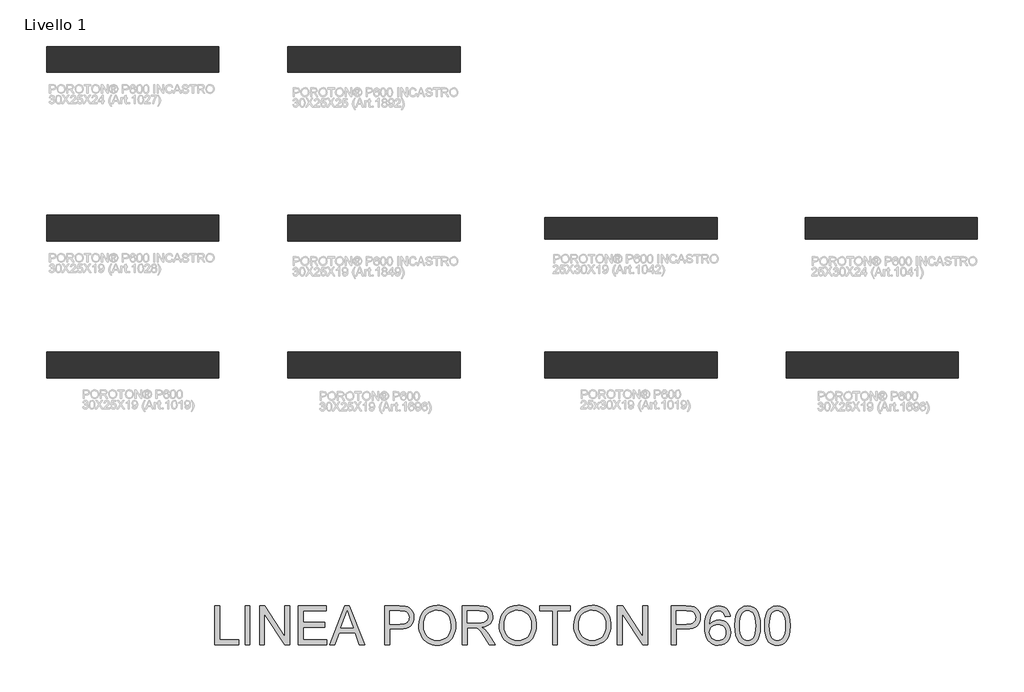
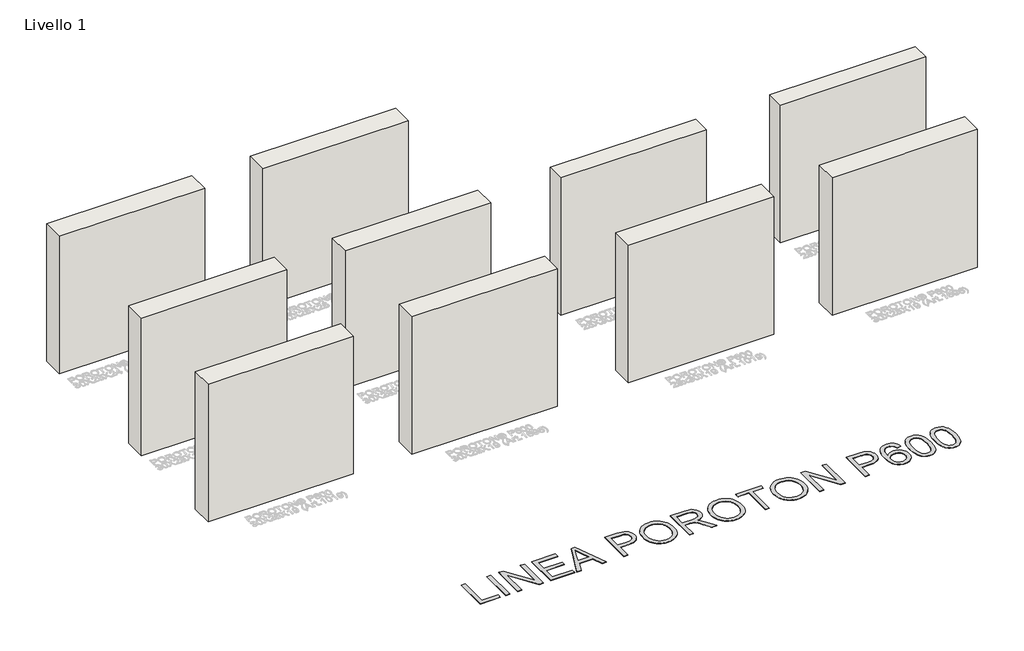
# One storey, part 1 of 11: 10 walls, 1 proxy.
"""IFC4 building model written with IfcOpenShell, lengths in millimetres."""

from ifc_helpers import new_model, si_unit, origin, origin_with_axes, place, context, project, spatial, polyline, outline, extrude, element, save

model = new_model("IFC4")

# Units and contexts
model_context = context("Model", 3, world=origin())
ifc_project = project(units=[si_unit("LENGTHUNIT", "METRE", prefix="MILLI")], contexts=[model_context])

# Site, building, storey
site = spatial("IfcSite", under=ifc_project)
building = spatial("IfcBuilding", under=site)
storey = spatial("IfcBuildingStorey", under=building, Name="Livello 1", Elevation=0.0)

# Proxy
placement = place(None, origin())
element("IfcBuildingElementProxy", 1, Name="450mm", ObjectType="450mm", at=placement, inside=storey, context=model_context, shape_type="SweptSolid", body=[
    extrude(outline(polyline([(-3133.2504422, -1960.675424), (-3133.2504422, -1511.0192812), (-3077.0434244, -1511.0192812), (-3077.0434244, -1904.4684062), (-2852.215353, -1904.4684062), (-2852.215353, -1960.675424), (-3133.2504422, -1960.675424)])), origin_with_axes(), (0.0, 0.0, 1.0), 5.0),
    extrude(outline(polyline([(-2781.9565807, -1960.675424), (-2781.9565807, -1511.0192812), (-2725.7495628, -1511.0192812), (-2725.7495628, -1960.675424), (-2781.9565807, -1960.675424)])), origin_with_axes(), (0.0, 0.0, 1.0), 5.0),
    extrude(outline(polyline([(-2613.3355271, -1960.675424), (-2613.3355271, -1511.0192812), (-2553.1764533, -1511.0192812), (-2318.2486834, -1867.2532127), (-2318.2486834, -1511.0192812), (-2262.0416655, -1511.0192812), (-2262.0416655, -1960.675424), (-2322.2007393, -1960.675424), (-2557.1285093, -1604.3317132), (-2557.1285093, -1960.675424), (-2613.3355271, -1960.675424)])), origin_with_axes(), (0.0, 0.0, 1.0), 5.0),
    extrude(outline(polyline([(-2163.6793843, -1960.675424), (-2163.6793843, -1511.0192812), (-1840.4890316, -1511.0192812), (-1840.4890316, -1567.2262991), (-2107.4723664, -1567.2262991), (-2107.4723664, -1700.7179665), (-1854.5407861, -1700.7179665), (-1854.5407861, -1756.9249843), (-2107.4723664, -1756.9249843), (-2107.4723664, -1904.4684062), (-1833.4631544, -1904.4684062), (-1833.4631544, -1960.675424), (-2163.6793843, -1960.675424)])), origin_with_axes(), (0.0, 0.0, 1.0), 5.0),
    extrude(outline(polyline([(-1801.5173689, -1960.675424), (-1622.0281615, -1511.0192812), (-1574.1643728, -1511.0192812), (-1394.6751654, -1960.675424), (-1454.0657839, -1960.675424), (-1505.5522905, -1820.1578794), (-1690.7500231, -1820.1578794), (-1742.1267504, -1960.675424), (-1801.5173689, -1960.675424)]), holes=[polyline([(-1670.1115088, -1763.9508616), (-1526.0810255, -1763.9508616), (-1566.5895989, -1653.4030745), (-1598.0962672, -1567.2262991), (-1626.0899968, -1643.7424933), (-1670.1115088, -1763.9508616)])]), origin_with_axes(), (0.0, 0.0, 1.0), 5.0),
    extrude(outline(polyline([(-1158.9789402, -1960.675424), (-1158.9789402, -1511.0192812), (-992.3339146, -1511.0192812), (-925.1489636, -1515.3006752), (-895.1929284, -1523.300844), (-870.533746, -1536.3234172), (-850.6774094, -1554.9584588), (-835.1299115, -1579.7960326), (-825.0851027, -1609.0933917), (-821.7368331, -1641.1077893), (-823.9976012, -1668.7104301), (-830.7799055, -1694.1037617), (-842.0837461, -1717.2877844), (-857.9091229, -1738.2624979), (-879.6351388, -1755.6487996), (-908.6408966, -1768.0675865), (-944.9263963, -1775.5188586), (-988.491638, -1778.002616), (-1102.7719223, -1778.002616), (-1102.7719223, -1960.675424), (-1158.9789402, -1960.675424)]), holes=[polyline([(-1102.7719223, -1721.7955982), (-985.198258, -1721.7955982), (-935.3584414, -1716.6359696), (-916.7782895, -1710.1864338), (-902.4246419, -1701.1570838), (-891.7142959, -1689.7880618), (-884.0640487, -1676.31951), (-879.4739004, -1660.7514285), (-877.9438509, -1643.0838173), (-881.5528465, -1617.834571), (-892.3798331, -1596.5373807), (-909.0800139, -1580.5095982), (-930.3085922, -1571.0685757), (-986.51561, -1567.2262991), (-1102.7719223, -1567.2262991), (-1102.7719223, -1721.7955982)])]), origin_with_axes(), (0.0, 0.0, 1.0), 5.0),
    extrude(outline(polyline([(-765.5298152, -1741.7754366), (-761.7835955, -1689.0333289), (-750.5449364, -1642.3428068), (-731.813838, -1601.7038705), (-705.5903001, -1567.1165198), (-673.4455395, -1539.5001566), (-636.9507729, -1519.7741829), (-596.1060003, -1507.9385987), (-550.9112217, -1503.993404), (-520.6601546, -1505.8459302), (-491.9322757, -1511.4035089), (-464.727585, -1520.66614), (-439.0460826, -1533.6338236), (-415.6081953, -1549.9154707), (-395.1343499, -1569.1199926), (-377.6245465, -1591.2473891), (-363.0787851, -1616.2976604), (-351.6480121, -1643.7013261), (-343.4831743, -1672.8889059), (-338.5842717, -1703.8603999), (-336.9513041, -1736.615808), (-338.6700368, -1769.8034722), (-343.8262347, -1801.1934999), (-352.4198981, -1830.785891), (-364.4510267, -1858.5806455), (-379.6348805, -1883.8436142), (-397.6867194, -1905.8406478), (-418.6065433, -1924.5717463), (-442.3943522, -1940.0369097), (-468.1135913, -1952.140081), (-494.8277056, -1960.7852034), (-522.536695, -1965.9722768), (-551.2405597, -1967.7013013), (-582.0199398, -1965.7904548), (-611.1251851, -1960.0579153), (-638.5562956, -1950.5036828), (-664.3132714, -1937.1277574), (-687.7237138, -1920.4481602), (-708.1152247, -1900.9829124), (-725.487804, -1878.7320141), (-739.8414516, -1853.6954653), (-751.0801107, -1826.8784329), (-759.1077243, -1799.286084), (-763.9242925, -1770.9184185), (-765.5298152, -1741.7754366)]), holes=[polyline([(-709.3227974, -1742.3243332), (-706.5131326, -1779.5875551), (-698.0841383, -1812.66544), (-684.0358144, -1841.5579879), (-664.368161, -1866.2651988), (-640.4602809, -1886.0529233), (-613.691277, -1900.1870123), (-584.0611492, -1908.6674656), (-551.5698977, -1911.4942834), (-518.5228882, -1908.6400208), (-488.5428388, -1900.0772329), (-461.6297495, -1885.8059198), (-437.7836203, -1865.8260814), (-418.2600523, -1840.5974187), (-404.3146465, -1810.5796327), (-395.9474031, -1775.7727234), (-393.158322, -1736.1766906), (-397.9337229, -1686.4192085), (-412.2599257, -1643.4131553), (-435.7664251, -1608.2426019), (-468.0827159, -1581.9916192), (-507.0681011, -1565.6482212), (-550.5818837, -1560.2004219), (-581.9444665, -1562.824834), (-611.0428506, -1570.6980705), (-637.877036, -1583.8201312), (-662.4470227, -1602.1910162), (-682.9551741, -1626.6958215), (-697.6038537, -1658.2196427), (-706.3930615, -1696.7624799), (-709.3227974, -1742.3243332)])]), origin_with_axes(), (0.0, 0.0, 1.0), 5.0),
    extrude(outline(polyline([(-259.6666546, -1960.675424), (-259.6666546, -1511.0192812), (-65.906134, -1511.0192812), (-13.8295635, -1514.0519353), (24.0580283, -1523.1498974), (51.7498648, -1539.9461351), (73.239169, -1566.0736161), (87.0301975, -1598.4722414), (91.627207, -1634.0819121), (89.7232217, -1657.176739), (84.0112659, -1678.3778725), (74.4913395, -1697.6853124), (61.1634425, -1715.0990589), (43.8560447, -1730.0633541), (22.3976159, -1742.0224401), (-3.2118438, -1750.9763168), (-32.9723345, -1756.9249843), (-1.026549, -1780.966658), (44.5318737, -1838.8203658), (119.5111573, -1960.675424), (54.1924549, -1960.675424), (-4.3199289, -1867.4727714), (-46.5849716, -1805.776787), (-62.2971385, -1787.786699), (-76.2802809, -1776.6303744), (-103.0115482, -1765.9268895), (-135.6160097, -1763.9508616), (-203.4596367, -1763.9508616), (-203.4596367, -1960.675424), (-259.6666546, -1960.675424)]), holes=[polyline([(-203.4596367, -1707.7438437), (-77.6525225, -1707.7438437), (-41.5214, -1705.7540933), (-13.4865031, -1699.7848422), (7.6185734, -1689.4381401), (22.960235, -1674.3160372), (32.3052006, -1656.024056), (35.4201892, -1636.1677194), (33.9347376, -1621.7934882), (29.4783828, -1608.7503313), (11.6529638, -1586.6572408), (-1.9562427, -1578.1562038), (-19.016637, -1572.0840345), (-63.4909887, -1567.2262991), (-203.4596367, -1567.2262991), (-203.4596367, -1707.7438437)])]), origin_with_axes(), (0.0, 0.0, 1.0), 5.0),
    extrude(outline(polyline([(168.9118566, -1741.7754366), (172.6580763, -1689.0333289), (183.8967354, -1642.3428068), (202.6278338, -1601.7038705), (228.8513717, -1567.1165198), (260.9961323, -1539.5001566), (297.4908989, -1519.7741829), (338.3356715, -1507.9385987), (383.5304501, -1503.993404), (413.7815172, -1505.8459302), (442.5093961, -1511.4035089), (469.7140868, -1520.66614), (495.3955892, -1533.6338236), (518.8334765, -1549.9154707), (539.3073219, -1569.1199926), (556.8171253, -1591.2473891), (571.3628867, -1616.2976604), (582.7936597, -1643.7013261), (590.9584975, -1672.8889059), (595.8574001, -1703.8603999), (597.4903677, -1736.615808), (595.771635, -1769.8034722), (590.615437, -1801.1934999), (582.0217737, -1830.785891), (569.9906451, -1858.5806455), (554.8067913, -1883.8436142), (536.7549524, -1905.8406478), (515.8351285, -1924.5717463), (492.0473196, -1940.0369097), (466.3280805, -1952.140081), (439.6139662, -1960.7852034), (411.9049768, -1965.9722768), (383.2011121, -1967.7013013), (352.421732, -1965.7904548), (323.3164867, -1960.0579153), (295.8853761, -1950.5036828), (270.1284004, -1937.1277574), (246.7179579, -1920.4481602), (226.3264471, -1900.9829124), (208.9538678, -1878.7320141), (194.6002202, -1853.6954653), (183.3615611, -1826.8784329), (175.3339475, -1799.286084), (170.5173793, -1770.9184185), (168.9118566, -1741.7754366)]), holes=[polyline([(225.1188744, -1742.3243332), (227.9285392, -1779.5875551), (236.3575335, -1812.66544), (250.4058574, -1841.5579879), (270.0735108, -1866.2651988), (293.9813909, -1886.0529233), (320.7503948, -1900.1870123), (350.3805225, -1908.6674656), (382.8717741, -1911.4942834), (415.9187836, -1908.6400208), (445.898833, -1900.0772329), (472.8119223, -1885.8059198), (496.6580515, -1865.8260814), (516.1816195, -1840.5974187), (530.1270253, -1810.5796327), (538.4942687, -1775.7727234), (541.2833498, -1736.1766906), (536.5079489, -1686.4192085), (522.1817461, -1643.4131553), (498.6752467, -1608.2426019), (466.3589559, -1581.9916192), (427.3735707, -1565.6482212), (383.8597881, -1560.2004219), (352.4972053, -1562.824834), (323.3988212, -1570.6980705), (296.5646358, -1583.8201312), (271.9946491, -1602.1910162), (251.4864977, -1626.6958215), (236.8378181, -1658.2196427), (228.0486103, -1696.7624799), (225.1188744, -1742.3243332)])]), origin_with_axes(), (0.0, 0.0, 1.0), 5.0),
    extrude(outline(polyline([(787.1890529, -1960.675424), (787.1890529, -1567.2262991), (639.6456311, -1567.2262991), (639.6456311, -1511.0192812), (990.9394927, -1511.0192812), (990.9394927, -1567.2262991), (843.3960708, -1567.2262991), (843.3960708, -1960.675424), (787.1890529, -1960.675424)])), origin_with_axes(), (0.0, 0.0, 1.0), 5.0),
    extrude(outline(polyline([(1033.094756, -1741.7754366), (1036.8409757, -1689.0333289), (1048.0796348, -1642.3428068), (1066.8107333, -1601.7038705), (1093.0342712, -1567.1165198), (1125.1790318, -1539.5001566), (1161.6737984, -1519.7741829), (1202.518571, -1507.9385987), (1247.7133496, -1503.993404), (1277.9644167, -1505.8459302), (1306.6922956, -1511.4035089), (1333.8969862, -1520.66614), (1359.5784886, -1533.6338236), (1383.016376, -1549.9154707), (1403.4902213, -1569.1199926), (1421.0000248, -1591.2473891), (1435.5457862, -1616.2976604), (1446.9765591, -1643.7013261), (1455.1413969, -1672.8889059), (1460.0402996, -1703.8603999), (1461.6732672, -1736.615808), (1459.9545345, -1769.8034722), (1454.7983365, -1801.1934999), (1446.2046732, -1830.785891), (1434.1735446, -1858.5806455), (1418.9896907, -1883.8436142), (1400.9378519, -1905.8406478), (1380.018028, -1924.5717463), (1356.230219, -1940.0369097), (1330.51098, -1952.140081), (1303.7968657, -1960.7852034), (1276.0878763, -1965.9722768), (1247.3840116, -1967.7013013), (1216.6046315, -1965.7904548), (1187.4993861, -1960.0579153), (1160.0682756, -1950.5036828), (1134.3112999, -1937.1277574), (1110.9008574, -1920.4481602), (1090.5093465, -1900.9829124), (1073.1367673, -1878.7320141), (1058.7831197, -1853.6954653), (1047.5444606, -1826.8784329), (1039.516847, -1799.286084), (1034.7002788, -1770.9184185), (1033.094756, -1741.7754366)]), holes=[polyline([(1089.3017739, -1742.3243332), (1092.1114387, -1779.5875551), (1100.540433, -1812.66544), (1114.5887568, -1841.5579879), (1134.2564102, -1866.2651988), (1158.1642903, -1886.0529233), (1184.9332943, -1900.1870123), (1214.563422, -1908.6674656), (1247.0546736, -1911.4942834), (1280.1016831, -1908.6400208), (1310.0817325, -1900.0772329), (1336.9948217, -1885.8059198), (1360.840951, -1865.8260814), (1380.364519, -1840.5974187), (1394.3099247, -1810.5796327), (1402.6771682, -1775.7727234), (1405.4662493, -1736.1766906), (1400.6908484, -1686.4192085), (1386.3646456, -1643.4131553), (1362.8581462, -1608.2426019), (1330.5418554, -1581.9916192), (1291.5564702, -1565.6482212), (1248.0426876, -1560.2004219), (1216.6801048, -1562.824834), (1187.5817206, -1570.6980705), (1160.7475352, -1583.8201312), (1136.1775486, -1602.1910162), (1115.6693971, -1626.6958215), (1101.0207176, -1658.2196427), (1092.2315098, -1696.7624799), (1089.3017739, -1742.3243332)])]), origin_with_axes(), (0.0, 0.0, 1.0), 5.0),
    extrude(outline(polyline([(1538.9579167, -1960.675424), (1538.9579167, -1511.0192812), (1599.1169905, -1511.0192812), (1834.0447604, -1867.2532127), (1834.0447604, -1511.0192812), (1890.2517783, -1511.0192812), (1890.2517783, -1960.675424), (1830.0927045, -1960.675424), (1595.1649346, -1604.3317132), (1595.1649346, -1960.675424), (1538.9579167, -1960.675424)])), origin_with_axes(), (0.0, 0.0, 1.0), 5.0),
    extrude(outline(polyline([(2164.2609903, -1960.675424), (2164.2609903, -1511.0192812), (2330.9060159, -1511.0192812), (2398.0909669, -1515.3006752), (2428.0470021, -1523.300844), (2452.7061845, -1536.3234172), (2472.5625211, -1554.9584588), (2488.110019, -1579.7960326), (2498.1548278, -1609.0933917), (2501.5030974, -1641.1077893), (2499.2423293, -1668.7104301), (2492.460025, -1694.1037617), (2481.1561844, -1717.2877844), (2465.3308076, -1738.2624979), (2443.6047918, -1755.6487996), (2414.5990339, -1768.0675865), (2378.3135342, -1775.5188586), (2334.7482925, -1778.002616), (2220.4680082, -1778.002616), (2220.4680082, -1960.675424), (2164.2609903, -1960.675424)]), holes=[polyline([(2220.4680082, -1721.7955982), (2338.0416725, -1721.7955982), (2387.8814891, -1716.6359696), (2406.461641, -1710.1864338), (2420.8152886, -1701.1570838), (2431.5256347, -1689.7880618), (2439.1758818, -1676.31951), (2443.7660301, -1660.7514285), (2445.2960796, -1643.0838173), (2441.6870841, -1617.834571), (2430.8600975, -1596.5373807), (2414.1599166, -1580.5095982), (2392.9313383, -1571.0685757), (2336.7243205, -1567.2262991), (2220.4680082, -1567.2262991), (2220.4680082, -1721.7955982)])]), origin_with_axes(), (0.0, 0.0, 1.0), 5.0),
    extrude(outline(polyline([(2845.7710818, -1630.4591942), (2789.5640639, -1637.4850714), (2780.5072691, -1609.628566), (2768.2668736, -1590.6092967), (2742.7706238, -1573.0720485), (2711.9500764, -1567.2262991), (2685.8225954, -1570.6294584), (2661.2320251, -1580.8389362), (2640.1132262, -1602.3419628), (2622.8641487, -1631.9412151), (2611.2138171, -1673.8083078), (2606.8912559, -1732.1148554), (2629.4371862, -1705.808983), (2656.4566242, -1687.2699983), (2686.4401042, -1676.2783428), (2717.8781603, -1672.6144576), (2744.8838759, -1675.1187986), (2769.8037842, -1682.6318216), (2792.6378852, -1695.1535266), (2813.3861789, -1712.6839136), (2830.6283952, -1734.180079), (2842.944264, -1758.5991191), (2850.3337853, -1785.941034), (2852.796959, -1816.2058235), (2848.1587822, -1856.453671), (2834.2442519, -1893.7649214), (2812.2060511, -1925.4088137), (2783.1968627, -1948.6545872), (2748.5340387, -1962.9396228), (2709.5349311, -1967.7013013), (2676.0282207, -1964.5451455), (2645.7668618, -1955.0766781), (2618.7508543, -1939.2958992), (2594.9801984, -1917.2028087), (2575.6007158, -1887.8642823), (2561.7582281, -1850.3471956), (2553.4527356, -1804.6515488), (2550.6842381, -1750.7773418), (2553.7580593, -1690.3781257), (2562.9795232, -1638.8298682), (2578.3486297, -1596.1325694), (2599.8653787, -1562.2862292), (2623.1866255, -1539.8569394), (2650.2266471, -1523.8360182), (2680.9854436, -1514.2234655), (2715.463015, -1511.0192812), (2741.3503537, -1513.0021704), (2764.7813798, -1518.950838), (2785.7560934, -1528.8652838), (2804.2744944, -1542.7455081), (2819.8357147, -1560.1249486), (2831.938886, -1580.5370431), (2840.5840084, -1603.9817916), (2845.7710818, -1630.4591942)]), holes=[polyline([(2606.8912559, -1815.3275888), (2610.1434686, -1840.2337747), (2619.9001067, -1864.0147225), (2635.0496545, -1884.461123), (2654.4805962, -1899.3636673), (2677.932206, -1908.4616294), (2705.1437578, -1911.4942834), (2724.6810483, -1909.9230667), (2742.2354495, -1905.2094167), (2757.8069616, -1897.3533333), (2771.3955845, -1886.3548165), (2782.4181156, -1872.6598448), (2790.291352, -1856.7143969), (2795.0152939, -1838.5184727), (2796.5899412, -1818.0720721), (2795.0358775, -1798.4250023), (2790.3736865, -1780.9803804), (2782.6033682, -1765.7382063), (2771.7249225, -1752.6984801), (2758.0951324, -1742.2522905), (2742.0707805, -1734.7907266), (2723.651867, -1730.3137882), (2702.8383919, -1728.8214754), (2683.5618273, -1730.3137882), (2665.8015898, -1734.7907266), (2649.5576793, -1742.2522905), (2634.8300958, -1752.6984801), (2622.6068534, -1765.5666761), (2613.8759659, -1780.2942596), (2608.6374334, -1796.8812305), (2606.8912559, -1815.3275888)])]), origin_with_axes(), (0.0, 0.0, 1.0), 5.0),
    extrude(outline(polyline([(2901.9780996, -1739.4700706), (2906.108547, -1667.4959962), (2918.4998891, -1610.0951281), (2927.7625202, -1586.6400878), (2939.0286241, -1566.3892317), (2952.2982008, -1549.3425598), (2967.5712503, -1535.5000722), (2984.8992317, -1524.7897262), (3004.3336041, -1517.139479), (3025.8743673, -1512.5493307), (3049.5215215, -1511.0192812), (3084.1569007, -1514.6419992), (3115.1695619, -1525.510153), (3141.104929, -1543.1983478), (3160.5084259, -1567.2811888), (3175.1639667, -1597.5528395), (3186.8554655, -1633.8074638), (3194.5125739, -1679.846171), (3197.0649434, -1739.4700706), (3192.9756632, -1811.0324725), (3180.7078229, -1868.2961164), (3171.5172345, -1891.7614485), (3160.3025896, -1912.0431801), (3147.0638884, -1929.141311), (3131.8011306, -1943.0558413), (3114.4525656, -1953.83823), (3094.9564424, -1961.5399363), (3073.312761, -1966.16096), (3049.5215215, -1967.7013013), (3018.5637499, -1965.0254301), (2991.118917, -1956.9978164), (2967.1870227, -1943.6184604), (2946.768067, -1924.8873619), (2927.1724563, -1891.0272993), (2913.1755915, -1848.8377298), (2904.7774726, -1798.3186536), (2901.9780996, -1739.4700706)]), holes=[polyline([(2958.1851175, -1739.3602913), (2959.8318075, -1788.2223857), (2964.7718774, -1827.7738206), (2973.0053273, -1858.0145958), (2984.5321571, -1878.9447116), (2998.4741322, -1893.1851493), (3013.953018, -1903.3568905), (3030.9688144, -1909.4599352), (3049.5215215, -1911.4942834), (3068.0742286, -1909.453074), (3085.090025, -1903.3294456), (3100.5689108, -1893.1233984), (3114.5108859, -1878.8349322), (3126.0377157, -1857.8705105), (3134.2711656, -1827.6365964), (3139.2112355, -1788.13319), (3140.8579255, -1739.3602913), (3139.2661252, -1691.7915346), (3134.4907243, -1652.9365123), (3126.5317227, -1622.7952246), (3115.3891205, -1601.3676713), (3101.6804265, -1586.4308209), (3086.0231493, -1575.7616421), (3068.417289, -1569.3601348), (3048.8628455, -1567.2262991), (3030.4061954, -1569.1062701), (3013.6785697, -1574.7461833), (2998.6799685, -1584.1460386), (2985.4103918, -1597.305836), (2973.4993343, -1620.633944), (2964.9914361, -1652.0857225), (2959.8866971, -1691.6611716), (2958.1851175, -1739.3602913)])]), origin_with_axes(), (0.0, 0.0, 1.0), 5.0),
    extrude(outline(polyline([(3246.246084, -1739.4700706), (3250.3765313, -1667.4959962), (3262.7678734, -1610.0951281), (3272.0305045, -1586.6400878), (3283.2966084, -1566.3892317), (3296.5661852, -1549.3425598), (3311.8392347, -1535.5000722), (3329.1672161, -1524.7897262), (3348.6015884, -1517.139479), (3370.1423517, -1512.5493307), (3393.7895058, -1511.0192812), (3428.424885, -1514.6419992), (3459.4375462, -1525.510153), (3485.3729133, -1543.1983478), (3504.7764102, -1567.2811888), (3519.431951, -1597.5528395), (3531.1234498, -1633.8074638), (3538.7805582, -1679.846171), (3541.3329277, -1739.4700706), (3537.2436476, -1811.0324725), (3524.9758073, -1868.2961164), (3515.7852188, -1891.7614485), (3504.570574, -1912.0431801), (3491.3318727, -1929.141311), (3476.069115, -1943.0558413), (3458.72055, -1953.83823), (3439.2244268, -1961.5399363), (3417.5807454, -1966.16096), (3393.7895058, -1967.7013013), (3362.8317343, -1965.0254301), (3335.3869014, -1956.9978164), (3311.455007, -1943.6184604), (3291.0360513, -1924.8873619), (3271.4404406, -1891.0272993), (3257.4435758, -1848.8377298), (3249.0454569, -1798.3186536), (3246.246084, -1739.4700706)]), holes=[polyline([(3302.4531018, -1739.3602913), (3304.0997918, -1788.2223857), (3309.0398617, -1827.7738206), (3317.2733116, -1858.0145958), (3328.8001414, -1878.9447116), (3342.7421166, -1893.1851493), (3358.2210024, -1903.3568905), (3375.2367988, -1909.4599352), (3393.7895058, -1911.4942834), (3412.3422129, -1909.453074), (3429.3580093, -1903.3294456), (3444.8368951, -1893.1233984), (3458.7788702, -1878.8349322), (3470.3057001, -1857.8705105), (3478.5391499, -1827.6365964), (3483.4792199, -1788.13319), (3485.1259098, -1739.3602913), (3483.5341095, -1691.7915346), (3478.7587086, -1652.9365123), (3470.7997071, -1622.7952246), (3459.6571049, -1601.3676713), (3445.9484108, -1586.4308209), (3430.2911336, -1575.7616421), (3412.6852733, -1569.3601348), (3393.1308298, -1567.2262991), (3374.6741797, -1569.1062701), (3357.946554, -1574.7461833), (3342.9479528, -1584.1460386), (3329.6783761, -1597.305836), (3317.7673186, -1620.633944), (3309.2594204, -1652.0857225), (3304.1546815, -1691.6611716), (3302.4531018, -1739.3602913)])]), origin_with_axes(), (0.0, 0.0, 1.0), 5.0),
])

# Walls
element("IfcWall", 2, at=placement, inside=storey, context=model_context, shape_type="SweptSolid", body=[
    extrude(outline(polyline([(-3084.3404074, 1138.1260395), (-5084.3404074, 1138.1260395), (-5084.3404074, 1438.1260395), (-3084.3404074, 1438.1260395), (-3084.3404074, 1138.1260395)])), origin_with_axes(), (0.0, 0.0, 1.0), 2000.0),
])
element("IfcWall", 3, at=placement, inside=storey, context=model_context, shape_type="SweptSolid", body=[
    extrude(outline(polyline([(-284.3404074, 1138.1260395), (-2284.3404074, 1138.1260395), (-2284.3404074, 1438.1260395), (-284.3404074, 1438.1260395), (-284.3404074, 1138.1260395)])), origin_with_axes(), (0.0, 0.0, 1.0), 2000.0),
])
element("IfcWall", 4, at=placement, inside=storey, context=model_context, shape_type="SweptSolid", body=[
    extrude(outline(polyline([(2695.6595926, 2749.2532139), (695.6595926, 2749.2532139), (695.6595926, 2999.2532139), (2695.6595926, 2999.2532139), (2695.6595926, 2749.2532139)])), origin_with_axes(), (0.0, 0.0, 1.0), 2000.0),
])
element("IfcWall", 5, at=placement, inside=storey, context=model_context, shape_type="SweptSolid", body=[
    extrude(outline(polyline([(5715.6595926, 2749.2532139), (3715.6595926, 2749.2532139), (3715.6595926, 2999.2532139), (5715.6595926, 2999.2532139), (5715.6595926, 2749.2532139)])), origin_with_axes(), (0.0, 0.0, 1.0), 2000.0),
])
element("IfcWall", 6, at=placement, inside=storey, context=model_context, shape_type="SweptSolid", body=[
    extrude(outline(polyline([(-3084.3404074, 2724.2532139), (-5084.3404074, 2724.2532139), (-5084.3404074, 3024.2532139), (-3084.3404074, 3024.2532139), (-3084.3404074, 2724.2532139)])), origin_with_axes(), (0.0, 0.0, 1.0), 2000.0),
])
element("IfcWall", 7, at=placement, inside=storey, context=model_context, shape_type="SweptSolid", body=[
    extrude(outline(polyline([(-284.3404074, 2724.2532139), (-2284.3404074, 2724.2532139), (-2284.3404074, 3024.2532139), (-284.3404074, 3024.2532139), (-284.3404074, 2724.2532139)])), origin_with_axes(), (0.0, 0.0, 1.0), 2000.0),
])
element("IfcWall", 8, at=placement, inside=storey, context=model_context, shape_type="SweptSolid", body=[
    extrude(outline(polyline([(-3084.3404074, 4684.2532139), (-5084.3404074, 4684.2532139), (-5084.3404074, 4984.2532139), (-3084.3404074, 4984.2532139), (-3084.3404074, 4684.2532139)])), origin_with_axes(), (0.0, 0.0, 1.0), 2000.0),
])
element("IfcWall", 9, at=placement, inside=storey, context=model_context, shape_type="SweptSolid", body=[
    extrude(outline(polyline([(-284.3404074, 4684.2532139), (-2284.3404074, 4684.2532139), (-2284.3404074, 4984.2532139), (-284.3404074, 4984.2532139), (-284.3404074, 4684.2532139)])), origin_with_axes(), (0.0, 0.0, 1.0), 2000.0),
])
element("IfcWall", 10, at=placement, inside=storey, context=model_context, shape_type="SweptSolid", body=[
    extrude(outline(polyline([(2695.6595926, 1138.1260395), (695.6595926, 1138.1260395), (695.6595926, 1438.1260395), (2695.6595926, 1438.1260395), (2695.6595926, 1138.1260395)])), origin_with_axes(), (0.0, 0.0, 1.0), 2000.0),
])
element("IfcWall", 11, at=placement, inside=storey, context=model_context, shape_type="SweptSolid", body=[
    extrude(outline(polyline([(5495.6595926, 1138.1260395), (3495.6595926, 1138.1260395), (3495.6595926, 1438.1260395), (5495.6595926, 1438.1260395), (5495.6595926, 1138.1260395)])), origin_with_axes(), (0.0, 0.0, 1.0), 2000.0),
])

save(model, "model.ifc")
